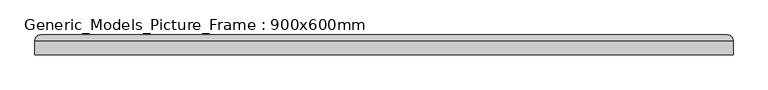
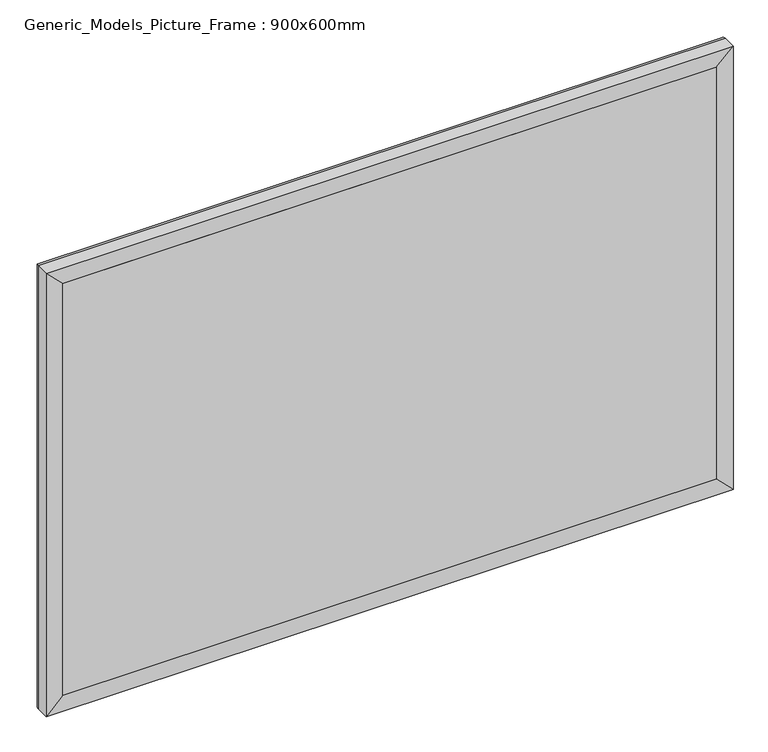
"""IFC4 building model written with IfcOpenShell, lengths in millimetres: proxy geometry, Generic_Models_Picture_Frame : 900x600mm."""

from ifc_helpers import new_model, si_unit, frame, origin, place, context, project, spatial, polyline, ellipse_curve, outline, extrude, source, transform, mapped, element, save
from ifc_brep_helpers import plane_surface, cylinder_surface, advanced_brep


def generic_models_picture_frame_900x600mm_a81aa8d5(model_context):
    return source(origin(), model_context, "Body", "SolidModel", [
        extrude(outline(polyline([(-750.0, 101.6), (750.0, 101.6), (750.0, 67.5), (-750.0, 67.5), (-750.0, 101.6)])), frame((0.0, 0.0, 800.0), z_axis=(0.0, 0.0, 1.0), x_axis=(1.0, 0.0, 0.0)), (0.0, 0.0, 1.0), 1000.0),
        advanced_brep(
        [(-750.0, 67.5, 1800.0), (-788.1, 67.5, 1838.1), (-788.1, 67.5, 761.9), (-750.0, 67.5, 800.0), (-750.0, 92.9, 1800.0), (-750.0, 92.9, 800.0), (-730.95, 92.9, 1780.95), (-730.95, 92.9, 819.05), (-730.95, 99.25, 1780.95), (-730.95, 99.25, 819.05), (-743.65, 111.95, 1793.65), (-743.65, 111.95, 806.35), (-775.4, 111.95, 1825.4), (-775.4, 111.95, 774.6), (-788.1, 99.25, 1838.1), (-788.1, 99.25, 761.9), (788.1, 67.5, 761.9), (750.0, 67.5, 800.0), (750.0, 92.9, 800.0), (730.95, 92.9, 819.05), (730.95, 99.25, 819.05), (743.65, 111.95, 806.35), (775.4, 111.95, 774.6), (788.1, 99.25, 761.9), (788.1, 67.5, 1838.1), (750.0, 67.5, 1800.0), (750.0, 92.9, 1800.0), (730.95, 92.9, 1780.95), (730.95, 99.25, 1780.95), (743.65, 111.95, 1793.65), (775.4, 111.95, 1825.4), (788.1, 99.25, 1838.1)],
        [
            (0, 1),
            (1, 2),
            (2, 3),
            (3, 0),
            (4, 0),
            (3, 5),
            (5, 4),
            (6, 4),
            (5, 7),
            (7, 6),
            (8, 6),
            (7, 9),
            (9, 8),
            (10, 8, ellipse_curve(frame((-743.65, 99.25, 1793.65), z_axis=(-0.7071067811865475, 0.0, -0.7071067811865475), x_axis=(-0.7071067811865474, 0.0, 0.7071067811865476)), 17.9605122, 12.7)),
            (9, 11, ellipse_curve(frame((-743.65, 99.25, 806.35), z_axis=(-0.7071067811865475, 0.0, 0.7071067811865475), x_axis=(0.7071067811865474, 0.0, 0.7071067811865476)), 17.9605122, 12.7)),
            (11, 10),
            (12, 10),
            (11, 13),
            (13, 12),
            (14, 12, ellipse_curve(frame((-775.4, 99.25, 1825.4), z_axis=(-0.7071067811865475, 0.0, -0.7071067811865475), x_axis=(-0.7071067811865474, 0.0, 0.7071067811865476)), 17.9605122, 12.7)),
            (13, 15, ellipse_curve(frame((-775.4, 99.25, 774.6), z_axis=(-0.7071067811865475, 0.0, 0.7071067811865475), x_axis=(0.7071067811865474, 0.0, 0.7071067811865476)), 17.9605122, 12.7)),
            (15, 14),
            (1, 14),
            (15, 2),
            (2, 16),
            (16, 17),
            (17, 3),
            (17, 18),
            (18, 5),
            (18, 19),
            (19, 7),
            (19, 20),
            (20, 9),
            (20, 21, ellipse_curve(frame((743.65, 99.25, 806.35), z_axis=(-0.7071067811865475, 0.0, -0.7071067811865475), x_axis=(-0.7071067811865476, 0.0, 0.7071067811865474)), 17.9605122, 12.7)),
            (21, 11),
            (21, 22),
            (22, 13),
            (22, 23, ellipse_curve(frame((775.4, 99.25, 774.6), z_axis=(-0.7071067811865475, 0.0, -0.7071067811865475), x_axis=(-0.7071067811865476, 0.0, 0.7071067811865474)), 17.9605122, 12.7)),
            (23, 15),
            (23, 16),
            (16, 24),
            (24, 25),
            (25, 17),
            (25, 26),
            (26, 18),
            (26, 27),
            (27, 19),
            (27, 28),
            (28, 20),
            (28, 29, ellipse_curve(frame((743.65, 99.25, 1793.65), z_axis=(0.7071067811865475, 0.0, -0.7071067811865475), x_axis=(-0.7071067811865474, 0.0, -0.7071067811865476)), 17.9605122, 12.7)),
            (29, 21),
            (29, 30),
            (30, 22),
            (30, 31, ellipse_curve(frame((775.4, 99.25, 1825.4), z_axis=(0.7071067811865475, 0.0, -0.7071067811865475), x_axis=(-0.7071067811865474, 0.0, -0.7071067811865476)), 17.9605122, 12.7)),
            (31, 23),
            (31, 24),
            (24, 1),
            (0, 25),
            (4, 26),
            (6, 27),
            (8, 28),
            (10, 29),
            (12, 30),
            (14, 31),
        ],
        [
            plane_surface(frame((-788.1, 67.5, 1838.1), z_axis=(0.0, -1.0, 0.0), x_axis=(0.0, 0.0, -1.0))),
            plane_surface(frame((-750.0, 67.5, 1800.0), z_axis=(1.0, 0.0, 0.0), x_axis=(0.0, 0.0, -1.0))),
            plane_surface(frame((-750.0, 92.9, 1800.0), z_axis=(0.0, -1.0, 0.0), x_axis=(0.0, 0.0, -1.0))),
            plane_surface(frame((-730.95, 92.9, 1780.95), z_axis=(1.0, 0.0, 0.0), x_axis=(0.0, 0.0, -1.0))),
            cylinder_surface(frame((-743.65, 99.25, 1800.0), z_axis=(0.0, 0.0, 1.0), x_axis=(-1.0, 0.0, 0.0)), 12.7),
            plane_surface(frame((-743.65, 111.95, 1793.65), z_axis=(0.0, 1.0, 0.0), x_axis=(0.0, 0.0, -1.0))),
            cylinder_surface(frame((-775.4, 99.25, 1800.0), z_axis=(0.0, 0.0, 1.0), x_axis=(-1.0, 0.0, 0.0)), 12.7),
            plane_surface(frame((-788.1, 99.25, 1838.1), z_axis=(-1.0, 0.0, 0.0), x_axis=(0.0, 0.0, -1.0))),
            plane_surface(frame((-788.1, 67.5, 761.9), z_axis=(0.0, -1.0, 0.0), x_axis=(1.0, 0.0, 0.0))),
            plane_surface(frame((-750.0, 67.5, 800.0), z_axis=(0.0, 0.0, 1.0), x_axis=(1.0, 0.0, 0.0))),
            plane_surface(frame((-750.0, 92.9, 800.0), z_axis=(0.0, -1.0, 0.0), x_axis=(1.0, 0.0, 0.0))),
            plane_surface(frame((-730.95, 92.9, 819.05), z_axis=(0.0, 0.0, 1.0), x_axis=(1.0, 0.0, 0.0))),
            cylinder_surface(frame((-750.0, 99.25, 806.35), z_axis=(-1.0, 0.0, 0.0), x_axis=(0.0, 0.0, -1.0)), 12.7),
            plane_surface(frame((-743.65, 111.95, 806.35), z_axis=(0.0, 1.0, 0.0), x_axis=(1.0, 0.0, 0.0))),
            cylinder_surface(frame((-750.0, 99.25, 774.6), z_axis=(-1.0, 0.0, 0.0), x_axis=(0.0, 0.0, -1.0)), 12.7),
            plane_surface(frame((-788.1, 99.25, 761.9), z_axis=(0.0, 0.0, -1.0), x_axis=(1.0, 0.0, 0.0))),
            plane_surface(frame((788.1, 67.5, 761.9), z_axis=(0.0, -1.0, 0.0), x_axis=(0.0, 0.0, 1.0))),
            plane_surface(frame((750.0, 67.5, 800.0), z_axis=(-1.0, 0.0, 0.0), x_axis=(0.0, 0.0, 1.0))),
            plane_surface(frame((750.0, 92.9, 800.0), z_axis=(0.0, -1.0, 0.0), x_axis=(0.0, 0.0, 1.0))),
            plane_surface(frame((730.95, 92.9, 819.05), z_axis=(-1.0, 0.0, 0.0), x_axis=(0.0, 0.0, 1.0))),
            cylinder_surface(frame((743.65, 99.25, 800.0), z_axis=(0.0, 0.0, -1.0), x_axis=(1.0, 0.0, 0.0)), 12.7),
            plane_surface(frame((743.65, 111.95, 806.35), z_axis=(0.0, 1.0, 0.0), x_axis=(0.0, 0.0, 1.0))),
            cylinder_surface(frame((775.4, 99.25, 800.0), z_axis=(0.0, 0.0, -1.0), x_axis=(1.0, 0.0, 0.0)), 12.7),
            plane_surface(frame((788.1, 99.25, 761.9), z_axis=(1.0, 0.0, 0.0), x_axis=(0.0, 0.0, 1.0))),
            plane_surface(frame((788.1, 67.5, 1838.1), z_axis=(0.0, -1.0, 0.0), x_axis=(-1.0, 0.0, 0.0))),
            plane_surface(frame((750.0, 67.5, 1800.0), z_axis=(0.0, 0.0, -1.0), x_axis=(-1.0, 0.0, 0.0))),
            plane_surface(frame((750.0, 92.9, 1800.0), z_axis=(0.0, -1.0, 0.0), x_axis=(-1.0, 0.0, 0.0))),
            plane_surface(frame((730.95, 92.9, 1780.95), z_axis=(0.0, 0.0, -1.0), x_axis=(-1.0, 0.0, 0.0))),
            cylinder_surface(frame((750.0, 99.25, 1793.65), z_axis=(1.0, 0.0, 0.0), x_axis=(0.0, 0.0, 1.0)), 12.7),
            plane_surface(frame((743.65, 111.95, 1793.65), z_axis=(0.0, 1.0, 0.0), x_axis=(-1.0, 0.0, 0.0))),
            cylinder_surface(frame((750.0, 99.25, 1825.4), z_axis=(1.0, 0.0, 0.0), x_axis=(0.0, 0.0, 1.0)), 12.7),
            plane_surface(frame((788.1, 99.25, 1838.1), z_axis=(0.0, 0.0, 1.0), x_axis=(-1.0, 0.0, 0.0))),
        ],
        [
            (0, [[1, 2, 3, 4]]),
            (1, [[5, -4, 6, 7]]),
            (2, [[8, -7, 9, 10]]),
            (3, [[11, -10, 12, 13]]),
            (4, [[14, -13, 15, 16]]),
            (5, [[17, -16, 18, 19]]),
            (6, [[20, -19, 21, 22]]),
            (7, [[23, -22, 24, -2]]),
            (8, [[-3, 25, 26, 27]]),
            (9, [[-6, -27, 28, 29]]),
            (10, [[-9, -29, 30, 31]]),
            (11, [[-12, -31, 32, 33]]),
            (12, [[-15, -33, 34, 35]]),
            (13, [[-18, -35, 36, 37]]),
            (14, [[-21, -37, 38, 39]]),
            (15, [[-24, -39, 40, -25]]),
            (16, [[-26, 41, 42, 43]]),
            (17, [[-28, -43, 44, 45]]),
            (18, [[-30, -45, 46, 47]]),
            (19, [[-32, -47, 48, 49]]),
            (20, [[-34, -49, 50, 51]]),
            (21, [[-36, -51, 52, 53]]),
            (22, [[-38, -53, 54, 55]]),
            (23, [[-40, -55, 56, -41]]),
            (24, [[-42, 57, -1, 58]]),
            (25, [[-44, -58, -5, 59]]),
            (26, [[-46, -59, -8, 60]]),
            (27, [[-48, -60, -11, 61]]),
            (28, [[-50, -61, -14, 62]]),
            (29, [[-52, -62, -17, 63]]),
            (30, [[-54, -63, -20, 64]]),
            (31, [[-56, -64, -23, -57]]),
        ],
    ),
    ])


if __name__ == "__main__":
    model = new_model("IFC4")
    model_context = context("Model", 3, world=origin())
    ifc_project = project(units=[si_unit("LENGTHUNIT", "METRE", prefix="MILLI")], contexts=[model_context])
    site = spatial("IfcSite", under=ifc_project)
    building = spatial("IfcBuilding", under=site)
    placement = place(None, origin())
    generic_models_picture_frame_900x600mm_shape = generic_models_picture_frame_900x600mm_a81aa8d5(model_context)
    element("IfcBuildingElementProxy", 1, Name="Generic_Models_Picture_Frame : 900x600mm", ObjectType="Generic_Models_Picture_Frame : 900x600mm", at=placement, inside=building, context=model_context, shape_type="MappedRepresentation", body=[
        mapped(generic_models_picture_frame_900x600mm_shape, transform((0.0, 0.0, 0.0), x_axis=(1.0, 0.0, 0.0), y_axis=(0.0, 1.0, 0.0), z_axis=(0.0, 0.0, 1.0))),
    ])
    save(model, "model.ifc")
